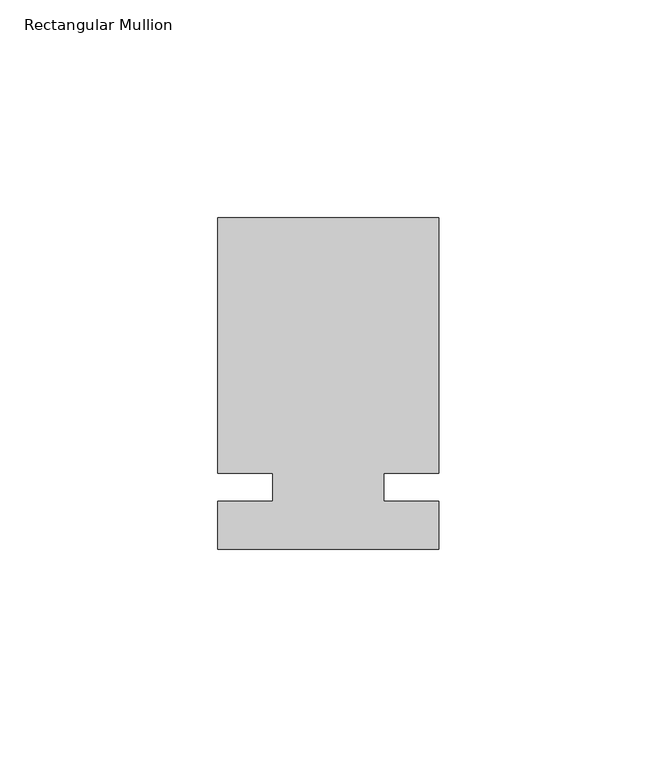
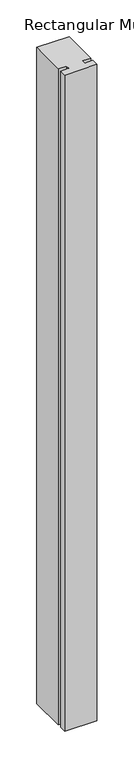
"""IFC4 building model written with IfcOpenShell, lengths in millimetres: member geometry, Rectangular Mullion."""

from ifc_helpers import new_model, si_unit, frame, origin, place, context, project, spatial, polyline, outline, extrude, source, transform, mapped, element, save


def rectangular_mullion_b8e29f8a(model_context):
    return source(origin(), model_context, "Body", "SweptSolid", [
        extrude(outline(polyline([(29.7344027, 61.9125), (29.7344027, 3.175), (17.0326322, 3.175), (17.0326322, -3.175), (29.7344027, -3.175), (29.7344027, -14.2875), (-21.0655973, -14.2875), (-21.0655973, -3.175), (-8.3655973, -3.175), (-8.3655973, 3.175), (-21.0655973, 3.175), (-21.0655973, 61.9125), (29.7344027, 61.9125)])), frame((0.0, 0.0, -1091.0405973), z_axis=(0.0, 0.0, 1.0), x_axis=(1.0, 0.0, 0.0)), (0.0, 0.0, 1.0), 1091.0405973),
    ])


if __name__ == "__main__":
    model = new_model("IFC4")
    model_context = context("Model", 3, world=origin())
    ifc_project = project(units=[si_unit("LENGTHUNIT", "METRE", prefix="MILLI")], contexts=[model_context])
    site = spatial("IfcSite", under=ifc_project)
    building = spatial("IfcBuilding", under=site)
    placement = place(None, origin())
    rectangular_mullion_shape = rectangular_mullion_b8e29f8a(model_context)
    element("IfcMember", 1, ObjectType="Rectangular Mullion", at=placement, inside=building, context=model_context, shape_type="MappedRepresentation", body=[
        mapped(rectangular_mullion_shape, transform((0.0, 0.0, 0.0), x_axis=(1.0, 0.0, 0.0), y_axis=(0.0, 1.0, 0.0), z_axis=(0.0, 0.0, 1.0))),
    ])
    save(model, "model.ifc")
